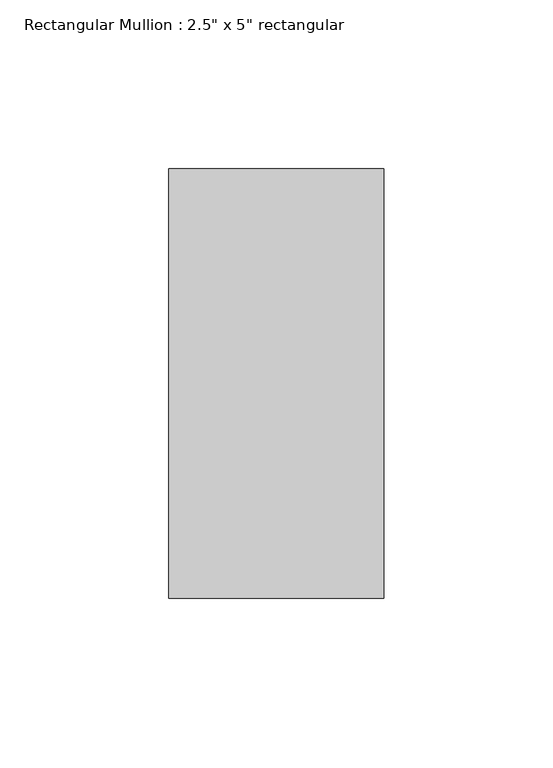
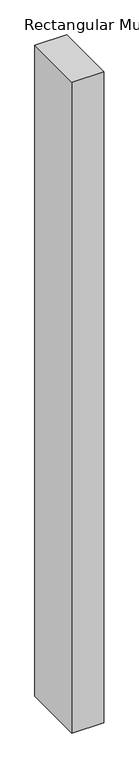
"""IFC4 building model written with IfcOpenShell, lengths in millimetres: member geometry."""

from ifc_helpers import new_model, si_unit, frame, origin, place, context, project, spatial, polyline, outline, extrude, source, transform, mapped, element, save


def member_11d3340d(model_context):
    return source(origin(), model_context, "Body", "SweptSolid", [
        extrude(outline(polyline([(0.0, 63.5), (0.0, -63.5), (-63.5, -63.5), (-63.5, 63.5), (0.0, 63.5)])), frame((0.0, 0.0, -1370.1), z_axis=(0.0, 0.0, 1.0), x_axis=(1.0, 0.0, 0.0)), (0.0, 0.0, 1.0), 1370.1),
    ])


if __name__ == "__main__":
    model = new_model("IFC4")
    model_context = context("Model", 3, world=origin())
    ifc_project = project(units=[si_unit("LENGTHUNIT", "METRE", prefix="MILLI")], contexts=[model_context])
    site = spatial("IfcSite", under=ifc_project)
    building = spatial("IfcBuilding", under=site)
    placement = place(None, origin())
    member_shape = member_11d3340d(model_context)
    element("IfcMember", 1, ObjectType="Rectangular Mullion : 2.5\" x 5\" rectangular", at=placement, inside=building, context=model_context, shape_type="MappedRepresentation", body=[
        mapped(member_shape, transform((0.0, 0.0, 0.0), x_axis=(1.0, 0.0, 0.0), y_axis=(0.0, 1.0, 0.0), z_axis=(0.0, 0.0, 1.0))),
    ])
    save(model, "model.ifc")
